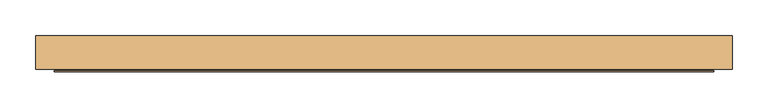
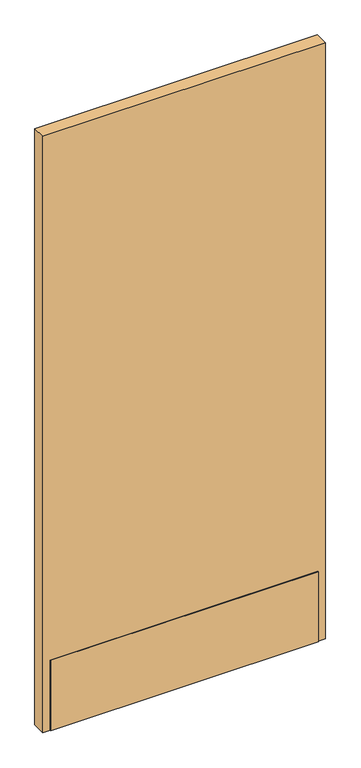
"""IFC4 building model written with IfcOpenShell, lengths in millimetres: door geometry."""

from ifc_helpers import new_model, si_unit, frame, origin, place, context, project, spatial, polyline, outline, extrude, source, transform, mapped, element, save


def door_2a6cd5bd(model_context):
    return source(origin(), model_context, "Body", "SweptSolid", [
        extrude(outline(polyline([(484.1064326, 23.114), (484.1064326, -23.114), (-484.1064326, -23.114), (-484.1064326, 23.114), (484.1064326, 23.114)])), frame((0.0, 0.0, 12.7), z_axis=(0.0, 0.0, 1.0), x_axis=(1.0, 0.0, 0.0)), (0.0, 0.0, 1.0), 2157.4635027),
        extrude(outline(polyline([(458.7064326, -9.8925062), (458.7064326, -11.4927062), (-458.7064326, -11.4927062), (-458.7064326, -9.8925062), (458.7064326, -9.8925062)])), frame((0.0, 0.0, 12.7), z_axis=(0.0, 0.0, 1.0), x_axis=(1.0, 0.0, 0.0)), (0.0, 0.0, 1.0), 254.0),
        extrude(outline(polyline([(458.7064326, -24.6888), (458.7064326, -26.289), (-458.7064326, -26.289), (-458.7064326, -24.6888), (458.7064326, -24.6888)])), frame((0.0, 0.0, 12.7), z_axis=(0.0, 0.0, 1.0), x_axis=(1.0, 0.0, 0.0)), (0.0, 0.0, 1.0), 254.0),
    ])


if __name__ == "__main__":
    model = new_model("IFC4")
    model_context = context("Model", 3, world=origin())
    ifc_project = project(units=[si_unit("LENGTHUNIT", "METRE", prefix="MILLI")], contexts=[model_context])
    site = spatial("IfcSite", under=ifc_project)
    building = spatial("IfcBuilding", under=site)
    placement = place(None, origin())
    door_shape = door_2a6cd5bd(model_context)
    element("IfcDoor", 1, at=placement, inside=building, context=model_context, shape_type="MappedRepresentation", body=[
        mapped(door_shape, transform((0.0, 0.0, 0.0), x_axis=(1.0, 0.0, 0.0), y_axis=(0.0, 1.0, 0.0), z_axis=(0.0, 0.0, 1.0))),
    ])
    save(model, "model.ifc")
